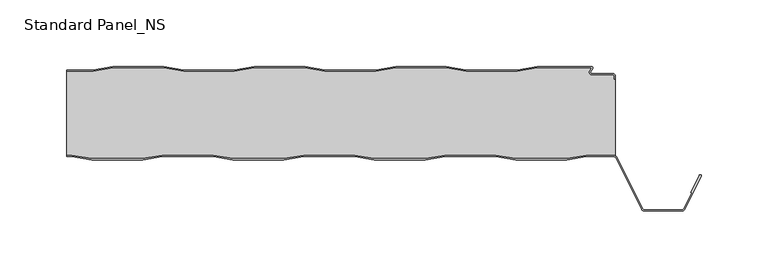
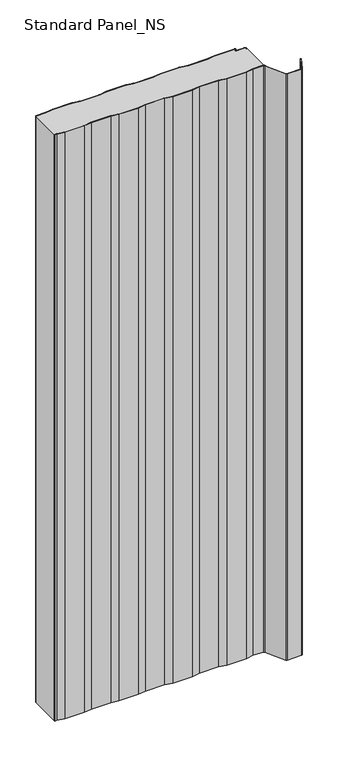
"""IFC4 building model written with IfcOpenShell, lengths in millimetres: proxy geometry, Standard Panel_NS."""

import ifcopenshell
import ifcopenshell.guid

model = None  # the IFC model being written
_history = None  # IfcOwnerHistory: only IFC2X3 demands one
_inside = {}  # id of a spatial element -> (the spatial element, [elements in it])
_under = {}  # id of a project, library or spatial element -> (it, [spatial elements below it])
_declared = {}  # id of a project -> (the project, [libraries it declares])
_typed = {}  # id of a type object -> (the type object, [elements of that type])
_made_of = {}  # id of a material, layer set ... -> (it, [elements and type objects made of it])


def new_model(schema):
    """Start an empty IFC model of exactly this schema.

    Asked for "IFC4X3", IfcOpenShell would pick the latest addendum, in which some entities
    have other attributes; the version numbers below select the first issue.
    IFC2X3 requires an IfcOwnerHistory on every rooted entity: one is made here for all.
    """
    global model, _history
    if schema == "IFC4X3":
        model = ifcopenshell.file(schema_version=(4, 3, 0, 0))
    else:
        model = ifcopenshell.file(schema=schema)
    _inside.clear()
    _under.clear()
    _declared.clear()
    _typed.clear()
    _made_of.clear()
    _history = None
    if model.schema == "IFC2X3":
        org = make("IfcOrganization", Name="unknown")
        user = make(
            "IfcPersonAndOrganization",
            ThePerson=make("IfcPerson", FamilyName="unknown"),
            TheOrganization=org,
        )
        app = make(
            "IfcApplication",
            ApplicationDeveloper=org,
            Version="unknown",
            ApplicationFullName="unknown",
            ApplicationIdentifier="unknown",
        )
        _history = make(
            "IfcOwnerHistory",
            OwningUser=user,
            OwningApplication=app,
            ChangeAction="ADDED",
            CreationDate=0,
        )
    return model


def make(cls, **values):
    """One entity of the class cls with the attributes given. An attribute that is None is left unset."""
    return model.create_entity(
        cls, **{name: value for name, value in values.items() if value is not None}
    )


def rooted(cls, **values):
    """An entity with a GlobalId (a new one), such as an element, a storey or a relation."""
    return make(cls, GlobalId=ifcopenshell.guid.new(), OwnerHistory=_history, **values)


def si_unit(unit_type, name, prefix=None):
    """IfcSIUnit, for example si_unit("LENGTHUNIT", "METRE", prefix="MILLI")."""
    return make("IfcSIUnit", UnitType=unit_type, Prefix=prefix, Name=name)


def assignment(units):
    """IfcUnitAssignment: the units of a project."""
    return None if units is None else make("IfcUnitAssignment", Units=units)


def point(xyz):
    """IfcCartesianPoint."""
    return None if xyz is None else make("IfcCartesianPoint", Coordinates=xyz)


def direction(xyz):
    """IfcDirection."""
    return None if xyz is None else make("IfcDirection", DirectionRatios=xyz)


def frame(location, z_axis=None, x_axis=None):
    """IfcAxis2Placement3D, a coordinate frame: its origin and axes. An axis left out is left unset."""
    return make(
        "IfcAxis2Placement3D",
        Location=point(location),
        Axis=direction(z_axis),
        RefDirection=direction(x_axis),
    )


def frame_2d(location, x_axis=None):
    """IfcAxis2Placement2D, a coordinate frame in the plane: its origin and x axis."""
    return make(
        "IfcAxis2Placement2D", Location=point(location), RefDirection=direction(x_axis)
    )


def origin():
    """The frame at (0, 0, 0) with its axes left unset."""
    return frame((0.0, 0.0, 0.0))


def origin_with_axes():
    """The frame at (0, 0, 0) with the z axis (0, 0, 1) and the x axis (1, 0, 0) written out."""
    return frame((0.0, 0.0, 0.0), z_axis=(0.0, 0.0, 1.0), x_axis=(1.0, 0.0, 0.0))


def place(relative_to, where):
    """IfcLocalPlacement: puts the frame where relative to a parent placement (None: the world)."""
    return make(
        "IfcLocalPlacement", PlacementRelTo=relative_to, RelativePlacement=where
    )


def context(
    kind, dimensions, precision=None, world=None, true_north=None, identifier=None
):
    """IfcGeometricRepresentationContext, for example the 3D "Model" context."""
    return make(
        "IfcGeometricRepresentationContext",
        ContextIdentifier=identifier,
        ContextType=kind,
        CoordinateSpaceDimension=dimensions,
        Precision=precision,
        WorldCoordinateSystem=world,
        TrueNorth=true_north,
    )


def project(units=None, contexts=None):
    """IfcProject with its units and contexts."""
    return rooted(
        "IfcProject",
        Name="project",
        RepresentationContexts=contexts,
        UnitsInContext=assignment(units),
    )


def spatial(cls, under=None, at=None, **own):
    """A site, building, storey or space (cls), placed at a placement, below another one or the project."""
    s = rooted(cls, ObjectPlacement=at, **own)
    if under is not None:
        _under.setdefault(under.id(), (under, []))[1].append(s)
    return s


def polyline(points):
    """IfcPolyline through the points."""
    return make("IfcPolyline", Points=[point(p) for p in points])


def circle_curve(where, radius):
    """IfcCircle in the frame where."""
    return make("IfcCircle", Position=where, Radius=radius)


def trimmed(basis, trim1, trim2, sense, master):
    """IfcTrimmedCurve: the piece of a basis curve between two trims."""
    return make(
        "IfcTrimmedCurve",
        BasisCurve=basis,
        Trim1=trim1,
        Trim2=trim2,
        SenseAgreement=sense,
        MasterRepresentation=master,
    )


def segment(curve, same_sense, transition):
    """IfcCompositeCurveSegment."""
    return make(
        "IfcCompositeCurveSegment",
        Transition=transition,
        SameSense=same_sense,
        ParentCurve=curve,
    )


def composite_curve(segments, self_intersect=None):
    """IfcCompositeCurve: segments joined end to end."""
    return make("IfcCompositeCurve", Segments=segments, SelfIntersect=self_intersect)


def outline(outer, holes=None, kind="AREA"):
    """IfcArbitraryClosedProfileDef: a profile drawn as a closed curve; with holes, ...WithVoids."""
    if holes is None:
        return make("IfcArbitraryClosedProfileDef", ProfileType=kind, OuterCurve=outer)
    return make(
        "IfcArbitraryProfileDefWithVoids",
        ProfileType=kind,
        OuterCurve=outer,
        InnerCurves=holes,
    )


def extrude(swept, where, along, depth):
    """IfcExtrudedAreaSolid: the profile swept, set in the frame where, extruded along a direction by depth."""
    return make(
        "IfcExtrudedAreaSolid",
        SweptArea=swept,
        Position=where,
        ExtrudedDirection=direction(along),
        Depth=depth,
    )


def shape(context_of_items, identifier, shape_type, items):
    """IfcShapeRepresentation: the items that make up one representation, for example the "Body"."""
    return make(
        "IfcShapeRepresentation",
        ContextOfItems=context_of_items,
        RepresentationIdentifier=identifier,
        RepresentationType=shape_type,
        Items=items,
    )


def source(mapping_origin, context_of_items, identifier, shape_type, items):
    """IfcRepresentationMap: a shape defined once, which mapped items show again and again."""
    return make(
        "IfcRepresentationMap",
        MappingOrigin=mapping_origin,
        MappedRepresentation=shape(context_of_items, identifier, shape_type, items),
    )


def transform(
    local_origin,
    x_axis=None,
    y_axis=None,
    z_axis=None,
    scale=None,
    scale2=None,
    scale3=None,
    uniform=True,
):
    """IfcCartesianTransformationOperator3D, or its non-uniform kind. x_axis, y_axis, z_axis: its Axis1, 2, 3."""
    if uniform:
        return make(
            "IfcCartesianTransformationOperator3D",
            Axis1=direction(x_axis),
            Axis2=direction(y_axis),
            LocalOrigin=point(local_origin),
            Scale=scale,
            Axis3=direction(z_axis),
        )
    return make(
        "IfcCartesianTransformationOperator3DnonUniform",
        Axis1=direction(x_axis),
        Axis2=direction(y_axis),
        LocalOrigin=point(local_origin),
        Scale=scale,
        Axis3=direction(z_axis),
        Scale2=scale2,
        Scale3=scale3,
    )


def mapped(mapping_source, mapping_target):
    """IfcMappedItem: shows the shape of a source again, moved by a transform."""
    return make(
        "IfcMappedItem", MappingSource=mapping_source, MappingTarget=mapping_target
    )


def made_of(thing, what):
    """Note that an element or type object is made of a material, layer set ...; save() writes the relation."""
    if what is not None:
        _made_of.setdefault(what.id(), (what, []))[1].append(thing)
    return thing


def element(
    cls,
    number,
    at=None,
    inside=None,
    cuts=None,
    type_object=None,
    material=None,
    context=None,
    identifier="Body",
    shape_type=None,
    held_by="IfcProductDefinitionShape",
    body=None,
    shapes=None,
    **own,
):
    """One element of the class cls, such as IfcWall. Its Tag is "e" and its number.

    at: its placement. inside: the storey or other place that contains it. cuts: it is an
    opening in that element (IfcRelVoidsElement). A single representation is given by context,
    identifier, shape_type and body (its items); several are given by shapes. held_by: the class
    of the entity that holds the representations. save() writes the other relations.
    """
    e = rooted(cls, Tag="e%d" % number, ObjectPlacement=at, **own)
    if body is not None:
        shapes = [shape(context, identifier, shape_type, body)]
    if shapes is not None:
        e.Representation = make(held_by, Representations=shapes)
    if inside is not None:
        _inside.setdefault(inside.id(), (inside, []))[1].append(e)
    if cuts is not None:
        rooted(
            "IfcRelVoidsElement", RelatingBuildingElement=cuts, RelatedOpeningElement=e
        )
    if type_object is not None:
        _typed.setdefault(type_object.id(), (type_object, []))[1].append(e)
    return made_of(e, material)


def aggregate(whole, parts):
    """IfcRelAggregates: a whole, such as a stair, and the parts it consists of."""
    return rooted("IfcRelAggregates", RelatingObject=whole, RelatedObjects=parts)


def save(model, path):
    """Write the relations noted so far, then the file.

    IfcRelAggregates (storeys below a building ...), IfcRelContainedInSpatialStructure (elements
    in a storey), IfcRelDefinesByType, IfcRelAssociatesMaterial and IfcRelDeclares: one each for
    every whole, place, type object, material and project.
    """
    for whole, parts in _under.values():
        aggregate(whole, parts)
    for where, things in _inside.values():
        rooted(
            "IfcRelContainedInSpatialStructure",
            RelatedElements=things,
            RelatingStructure=where,
        )
    for kind, things in _typed.values():
        rooted("IfcRelDefinesByType", RelatedObjects=things, RelatingType=kind)
    for what, things in _made_of.values():
        rooted("IfcRelAssociatesMaterial", RelatedObjects=things, RelatingMaterial=what)
    for by, libraries in _declared.values():
        rooted("IfcRelDeclares", RelatingContext=by, RelatedDefinitions=libraries)
    model.write(path)


def plane_surface(at):
    """IfcPlane: the flat surface through the origin of the frame at, square to its z axis."""
    return make("IfcPlane", Position=at)


def cylinder_surface(at, radius):
    """IfcCylindricalSurface: all points at the distance radius from the z axis of the frame at."""
    return make("IfcCylindricalSurface", Position=at, Radius=radius)


def revolved_surface(curve, axis_point, axis_direction):
    """IfcSurfaceOfRevolution: the curve turned about the line through axis_point along axis_direction."""
    return make(
        "IfcSurfaceOfRevolution",
        SweptCurve=make("IfcArbitraryOpenProfileDef", ProfileType="CURVE", Curve=curve),
        AxisPosition=make("IfcAxis1Placement", Location=point(axis_point), Axis=direction(axis_direction)),
    )


def advanced_brep(points, edges, surfaces, faces):
    """IfcAdvancedBrep: a solid bounded by faces that lie on surfaces and meet in shared edges.

    An edge is (start, end): straight between two places in points (the first is 0);
    or (start, end, curve); or (start, end, curve, False) where it runs against its curve.
    A face is (place in surfaces, loops), or (place, loops, False) where it looks against
    its surface's normal. A loop lists edges by number (the first is 1), with a minus sign
    where the edge is run from its end to its start. The first loop is the outer one.
    """
    corners = [point(p) for p in points]
    vertices = [make("IfcVertexPoint", VertexGeometry=c) for c in corners]
    made = []
    for start, end, *more in edges:
        made.append(
            make(
                "IfcEdgeCurve",
                EdgeStart=vertices[start],
                EdgeEnd=vertices[end],
                EdgeGeometry=more[0] if more else make("IfcPolyline", Points=[corners[start], corners[end]]),
                SameSense=more[1] if len(more) > 1 else True,
            )
        )
    hull = []
    for where, loops, *sense in faces:
        bounds = []
        for j, loop in enumerate(loops):
            ring = [make("IfcOrientedEdge", EdgeElement=made[abs(k) - 1], Orientation=k > 0) for k in loop]
            bounds.append(
                make(
                    "IfcFaceOuterBound" if j == 0 else "IfcFaceBound",
                    Bound=make("IfcEdgeLoop", EdgeList=ring),
                    Orientation=True,
                )
            )
        hull.append(make("IfcAdvancedFace", Bounds=bounds, FaceSurface=surfaces[where], SameSense=sense[0] if sense else True))
    return make("IfcAdvancedBrep", Outer=make("IfcClosedShell", CfsFaces=hull))


def standard_panel_ns_f7e936ef(model_context):
    return source(origin(), model_context, "Body", "SolidModel", [
        extrude(outline(composite_curve([segment(polyline([(-203.6028864, -3.3), (-223.4042607, -3.3), (-223.4042607, -2.5), (-203.6690964, -2.5), (-188.6690964, 0.0), (-150.6690964, 0.0), (-135.6690964, -2.5), (-97.6690964, -2.5), (-82.6690964, 0.0), (-44.6690964, 0.0), (-29.6690964, -2.5), (8.3309036, -2.5), (23.3309036, 0.0), (61.3309036, 0.0), (76.3309036, -2.5), (114.3309036, -2.5), (129.3309036, 0.0), (170.1370388, 0.0)]), True, "CONTINUOUS"), segment(trimmed(circle_curve(frame_2d((170.1370388, -1.0)), 1.0), [point((170.1370388, 0.0))], [point((170.9759217, -1.5443119))], False, "CARTESIAN"), True, "CONTINUOUS"), segment(polyline([(170.9759217, -1.5443119), (169.5409513, -3.7558601)]), True, "CONTINUOUS"), segment(trimmed(circle_curve(frame_2d((170.3798342, -4.3001721)), 1.0), [point((169.5409513, -3.7558601))], [point((170.3798342, -5.3001721))], True, "CARTESIAN"), True, "CONTINUOUS"), segment(polyline([(170.3798342, -5.3001721), (185.9659043, -5.3001721)]), True, "CONTINUOUS"), segment(trimmed(circle_curve(frame_2d((185.9659043, -7.4001714)), 2.0999993), [point((185.9659043, -5.3001721))], [point((188.0659036, -7.4001714))], False, "CARTESIAN"), True, "CONTINUOUS"), segment(polyline([(188.0659036, -7.4001714), (188.0659036, -9.4001722), (187.2659036, -9.4001722), (187.2659036, -7.4001714)]), True, "CONTINUOUS"), segment(trimmed(circle_curve(frame_2d((185.9659043, -7.4001714)), 1.2999993), [point((187.2659036, -7.4001714))], [point((185.9659043, -6.1001721))], True, "CARTESIAN"), True, "CONTINUOUS"), segment(polyline([(185.9659043, -6.1001721), (170.3798342, -6.1001721)]), True, "CONTINUOUS"), segment(trimmed(circle_curve(frame_2d((170.3798342, -4.3001721)), 1.8), [point((170.3798342, -6.1001721))], [point((168.869845, -3.3204106))], False, "CARTESIAN"), True, "CONTINUOUS"), segment(polyline([(168.869845, -3.3204106), (170.5052217, -0.8), (129.3971136, -0.8), (114.3971136, -3.3), (76.2646936, -3.3), (61.2646936, -0.8), (23.3971136, -0.8), (8.3971136, -3.3), (-29.7353064, -3.3), (-44.7353064, -0.8), (-82.6028864, -0.8), (-97.6028864, -3.3), (-135.7353064, -3.3), (-150.7353064, -0.8), (-188.6028864, -0.8), (-203.6028864, -3.3)]), True, "CONTINUOUS")], self_intersect=False)), origin_with_axes(), (0.0, 0.0, 1.0), 1219.2),
        extrude(outline(composite_curve([segment(polyline([(-219.5261524, -67.5), (-223.4042607, -67.5), (-223.4042607, -66.7), (-219.4592357, -66.7), (-204.6198427, -69.2), (-166.5446313, -69.2), (-151.7052383, -66.7), (-113.4592357, -66.7), (-98.6198427, -69.2), (-60.5446313, -69.2), (-45.7052383, -66.7), (-7.4592357, -66.7), (7.3801573, -69.2), (45.4553687, -69.2), (60.2947617, -66.7), (98.5407643, -66.7), (113.3801573, -69.2), (151.4553687, -69.2), (166.2947617, -66.7), (186.5082999, -66.7)]), True, "CONTINUOUS"), segment(trimmed(circle_curve(frame_2d((186.5082999, -69.8)), 3.1), [point((186.5082999, -66.7))], [point((189.28232, -68.4162325))], False, "CARTESIAN"), True, "CONTINUOUS"), segment(polyline([(189.28232, -68.4162325), (208.4846117, -106.910808)]), True, "CONTINUOUS"), segment(trimmed(circle_curve(frame_2d((209.8268795, -106.241243)), 1.5), [point((208.4846117, -106.910808))], [point((209.8268795, -107.741243))], True, "CARTESIAN"), True, "CONTINUOUS"), segment(polyline([(209.8268795, -107.741243), (237.9816419, -107.741243)]), True, "CONTINUOUS"), segment(trimmed(circle_curve(frame_2d((237.9816419, -106.241243)), 1.5), [point((237.9816419, -107.741243))], [point((239.3236176, -106.9113932))], True, "CARTESIAN"), True, "CONTINUOUS"), segment(polyline([(239.3236176, -106.9113932), (245.3896952, -94.7640727), (244.6739749, -94.4066593), (251.018063, -81.7026227)]), True, "CONTINUOUS"), segment(trimmed(circle_curve(frame_2d((251.7337834, -82.0600361)), 0.8), [point((251.018063, -81.7026227))], [point((252.4495038, -82.4174495))], False, "CARTESIAN"), True, "CONTINUOUS"), segment(polyline([(252.4495038, -82.4174495), (240.039338, -107.2688066)]), True, "CONTINUOUS"), segment(trimmed(circle_curve(frame_2d((237.9816419, -106.241243)), 2.3), [point((240.039338, -107.2688066))], [point((237.9816419, -108.541243))], False, "CARTESIAN"), True, "CONTINUOUS"), segment(polyline([(237.9816419, -108.541243), (209.8268795, -108.541243)]), True, "CONTINUOUS"), segment(trimmed(circle_curve(frame_2d((209.8268795, -106.241243)), 2.3), [point((209.8268795, -108.541243))], [point((207.7687355, -107.2679093))], False, "CARTESIAN"), True, "CONTINUOUS"), segment(polyline([(207.7687355, -107.2679093), (188.5664438, -68.7733338)]), True, "CONTINUOUS"), segment(trimmed(circle_curve(frame_2d((186.5082999, -69.8)), 2.3), [point((188.5664438, -68.7733338))], [point((186.5082999, -67.5))], True, "CARTESIAN"), True, "CONTINUOUS"), segment(polyline([(186.5082999, -67.5), (166.3616785, -67.5), (151.5222854, -70.0), (113.3132406, -70.0), (98.4738476, -67.5), (60.3616785, -67.5), (45.5222854, -70.0), (7.3132406, -70.0), (-7.5261524, -67.5), (-45.6383215, -67.5), (-60.4777146, -70.0), (-98.6867594, -70.0), (-113.5261524, -67.5), (-151.6383215, -67.5), (-166.4777146, -70.0), (-204.6867594, -70.0), (-219.5261524, -67.5)]), True, "CONTINUOUS")], self_intersect=False)), origin_with_axes(), (0.0, 0.0, 1.0), 1219.2),
        advanced_brep(
        [(188.136916, -67.1622719, 1219.2), (188.1042607, -9.4, 1219.2), (187.2659036, -9.4, 1219.2), (187.2659036, -7.4001714, 1219.2), (185.9659043, -6.1001721, 1219.2), (170.3798342, -6.1001721, 1219.2), (168.869845, -3.3204106, 1219.2), (170.5052217, -0.8, 1219.2), (129.3971136, -0.8, 1219.2), (114.3971136, -3.3, 1219.2), (76.2646936, -3.3, 1219.2), (61.2646936, -0.8, 1219.2), (23.3971136, -0.8, 1219.2), (8.3971136, -3.3, 1219.2), (-29.7353064, -3.3, 1219.2), (-44.7353064, -0.8, 1219.2), (-82.6028864, -0.8, 1219.2), (-97.6028864, -3.3, 1219.2), (-135.7353064, -3.3, 1219.2), (-150.7353064, -0.8, 1219.2), (-188.6028864, -0.8, 1219.2), (-203.6028864, -3.3, 1219.2), (-223.4042607, -3.3, 1219.2), (-223.4042607, -66.7, 1219.2), (-219.4592357, -66.7, 1219.2), (-204.6198427, -69.2, 1219.2), (-166.5446313, -69.2, 1219.2), (-151.7052383, -66.7, 1219.2), (-113.4592357, -66.7, 1219.2), (-98.6198427, -69.2, 1219.2), (-60.5446313, -69.2, 1219.2), (-45.7052383, -66.7, 1219.2), (-7.4592357, -66.7, 1219.2), (7.3801573, -69.2, 1219.2), (45.4553687, -69.2, 1219.2), (60.2947617, -66.7, 1219.2), (98.5407643, -66.7, 1219.2), (113.3801573, -69.2, 1219.2), (151.4553687, -69.2, 1219.2), (166.2947617, -66.7, 1219.2), (186.5082999, -66.7, 1219.2), (-219.4592357, -66.7, 0.0), (-223.4042607, -66.7, 0.0), (-223.4042607, -3.3, 0.0), (-203.6028864, -3.3, 0.0), (-188.6028864, -0.8, 0.0), (-150.7353064, -0.8, 0.0), (-135.7353064, -3.3, 0.0), (-97.6028864, -3.3, 0.0), (-82.6028864, -0.8, 0.0), (-44.7353064, -0.8, 0.0), (-29.7353064, -3.3, 0.0), (8.3971136, -3.3, 0.0), (23.3971136, -0.8, 0.0), (61.2646936, -0.8, 0.0), (76.2646936, -3.3, 0.0), (114.3971136, -3.3, 0.0), (129.3971136, -0.8, 0.0), (170.5052217, -0.8, 0.0), (168.869845, -3.3204106, 0.0), (170.3798342, -6.1001721, 0.0), (185.9659043, -6.1001721, 0.0), (187.2659036, -7.4001714, 0.0), (187.2659036, -9.4001722, 0.0), (188.1042607, -9.4, 0.0), (188.136916, -67.1622719, 0.0), (186.5082999, -66.7, 0.0), (166.2947617, -66.7, 0.0), (151.4553687, -69.2, 0.0), (113.3801573, -69.2, 0.0), (98.5407643, -66.7, 0.0), (60.2947617, -66.7, 0.0), (45.4553687, -69.2, 0.0), (7.3801573, -69.2, 0.0), (-7.4592357, -66.7, 0.0), (-45.7052383, -66.7, 0.0), (-60.5446313, -69.2, 0.0), (-98.6198427, -69.2, 0.0), (-113.4592357, -66.7, 0.0), (-151.7052383, -66.7, 0.0), (-166.5446313, -69.2, 0.0), (-204.6198427, -69.2, 0.0)],
        [
            (0, 1),
            (1, 2),
            (2, 3),
            (3, 4, circle_curve(frame((185.9659043, -7.4001714, 1219.2), z_axis=(0.0, 0.0, 1.0), x_axis=(-1.0, 0.0, 0.0)), 1.2999993)),
            (4, 5),
            (5, 6, circle_curve(frame((170.3798342, -4.3001721, 1219.2), z_axis=(0.0, 0.0, -1.0), x_axis=(-1.0, 0.0, 0.0)), 1.8)),
            (6, 7),
            (7, 8),
            (8, 9),
            (9, 10),
            (10, 11),
            (11, 12),
            (12, 13),
            (13, 14),
            (14, 15),
            (15, 16),
            (16, 17),
            (17, 18),
            (18, 19),
            (19, 20),
            (20, 21),
            (21, 22),
            (22, 23),
            (23, 24),
            (24, 25),
            (25, 26),
            (26, 27),
            (27, 28),
            (28, 29),
            (29, 30),
            (30, 31),
            (31, 32),
            (32, 33),
            (33, 34),
            (34, 35),
            (35, 36),
            (36, 37),
            (37, 38),
            (38, 39),
            (39, 40),
            (40, 0, circle_curve(frame((186.5082999, -69.8, 1219.2), z_axis=(0.0, 0.0, -1.0), x_axis=(-1.0, 0.0, 0.0)), 3.1)),
            (41, 42),
            (42, 43),
            (43, 44),
            (44, 45),
            (45, 46),
            (46, 47),
            (47, 48),
            (48, 49),
            (49, 50),
            (50, 51),
            (51, 52),
            (52, 53),
            (53, 54),
            (54, 55),
            (55, 56),
            (56, 57),
            (57, 58),
            (58, 59),
            (59, 60, circle_curve(frame((170.3798342, -4.3001721, 0.0), z_axis=(0.0, 0.0, 1.0), x_axis=(-1.0, 0.0, 0.0)), 1.8)),
            (60, 61),
            (61, 62, circle_curve(frame((185.9659043, -7.4001714, 0.0), z_axis=(0.0, 0.0, -1.0), x_axis=(-1.0, 0.0, 0.0)), 1.2999993)),
            (62, 63),
            (63, 64),
            (64, 65),
            (65, 66, circle_curve(frame((186.5082999, -69.8, 0.0), z_axis=(0.0, 0.0, 1.0), x_axis=(-1.0, 0.0, 0.0)), 3.1)),
            (66, 67),
            (67, 68),
            (68, 69),
            (69, 70),
            (70, 71),
            (71, 72),
            (72, 73),
            (73, 74),
            (74, 75),
            (75, 76),
            (76, 77),
            (77, 78),
            (78, 79),
            (79, 80),
            (80, 81),
            (81, 41),
            (64, 1),
            (0, 65),
            (40, 66),
            (39, 67),
            (38, 68),
            (37, 69),
            (36, 70),
            (35, 71),
            (34, 72),
            (33, 73),
            (32, 74),
            (31, 75),
            (30, 76),
            (29, 77),
            (28, 78),
            (27, 79),
            (26, 80),
            (25, 81),
            (24, 41),
            (23, 42),
            (63, 2),
            (43, 22),
            (21, 44),
            (20, 45),
            (19, 46),
            (18, 47),
            (17, 48),
            (16, 49),
            (15, 50),
            (14, 51),
            (13, 52),
            (12, 53),
            (11, 54),
            (10, 55),
            (9, 56),
            (8, 57),
            (7, 58),
            (6, 59),
            (5, 60),
            (4, 61),
            (3, 62),
        ],
        [
            plane_surface(frame((-276.0957393, -69.2, 1219.2), z_axis=(0.0, 0.0, 1.0), x_axis=(0.0, -1.0, 0.0))),
            plane_surface(frame((-276.0957393, -69.2, 0.0), z_axis=(0.0, 0.0, -1.0), x_axis=(0.0, -1.0, 0.0))),
            plane_surface(frame((188.136916, -64.25, 1219.2), z_axis=(1.0, 0.0, 0.0), x_axis=(0.0, 0.0, -1.0))),
            revolved_surface(polyline([(183.4082999, -69.8, 0.0), (183.4082999, -69.8, 1219.2)]), (186.5082999, -69.8, 1219.2), (0.0, 0.0, -1.0)),
            plane_surface(frame((186.5082999, -66.7, 1219.2), z_axis=(0.0, -1.0, 0.0), x_axis=(0.0, 0.0, -1.0))),
            plane_surface(frame((166.2947617, -66.7, 1219.2), z_axis=(0.16612942863435848, -0.9861039564577467, 0.0), x_axis=(0.0, 0.0, -1.0))),
            plane_surface(frame((151.4553687, -69.2, 1219.2), z_axis=(0.0, -1.0, 0.0), x_axis=(0.0, 0.0, -1.0))),
            plane_surface(frame((113.3801573, -69.2, 1219.2), z_axis=(-0.16612942863454067, -0.9861039564577161, 0.0), x_axis=(0.0, 0.0, -1.0))),
            plane_surface(frame((98.5407643, -66.7, 1219.2), z_axis=(0.0, -1.0, 0.0), x_axis=(0.0, 0.0, -1.0))),
            plane_surface(frame((60.2947617, -66.7, 1219.2), z_axis=(0.1661294286345235, -0.986103956457719, 0.0), x_axis=(0.0, 0.0, -1.0))),
            plane_surface(frame((45.4553687, -69.2, 1219.2), z_axis=(0.0, -1.0, 0.0), x_axis=(0.0, 0.0, -1.0))),
            plane_surface(frame((7.3801573, -69.2, 1219.2), z_axis=(-0.16612942863454067, -0.9861039564577161, 0.0), x_axis=(0.0, 0.0, -1.0))),
            plane_surface(frame((-7.4592357, -66.7, 1219.2), z_axis=(0.0, -1.0, 0.0), x_axis=(0.0, 0.0, -1.0))),
            plane_surface(frame((-45.7052383, -66.7, 1219.2), z_axis=(0.16612942863435848, -0.9861039564577467, 0.0), x_axis=(0.0, 0.0, -1.0))),
            plane_surface(frame((-60.5446313, -69.2, 1219.2), z_axis=(0.0, -1.0, 0.0), x_axis=(0.0, 0.0, -1.0))),
            plane_surface(frame((-98.6198427, -69.2, 1219.2), z_axis=(-0.16612942863472926, -0.9861039564576843, 0.0), x_axis=(0.0, 0.0, -1.0))),
            plane_surface(frame((-113.4592357, -66.7, 1219.2), z_axis=(0.0, -1.0, 0.0), x_axis=(0.0, 0.0, -1.0))),
            plane_surface(frame((-151.7052383, -66.7, 1219.2), z_axis=(0.1661294286345235, -0.986103956457719, 0.0), x_axis=(0.0, 0.0, -1.0))),
            plane_surface(frame((-166.5446313, -69.2, 1219.2), z_axis=(0.0, -1.0, 0.0), x_axis=(0.0, 0.0, -1.0))),
            plane_surface(frame((-204.6198427, -69.2, 1219.2), z_axis=(-0.16612942863435204, -0.9861039564577478, 0.0), x_axis=(0.0, 0.0, -1.0))),
            plane_surface(frame((-219.4592357, -66.7, 1219.2), z_axis=(0.0, -1.0, 0.0), x_axis=(0.0, 0.0, -1.0))),
            plane_surface(frame((-811.8956486, -9.4, 1219.2), z_axis=(0.0, 1.0, 0.0), x_axis=(0.0, 0.0, -1.0))),
            plane_surface(frame((-241.7353064, -3.3, 1219.2), z_axis=(0.0, 1.0, 0.0), x_axis=(0.0, 0.0, -1.0))),
            plane_surface(frame((-203.6028864, -3.3, 1219.2), z_axis=(-0.1643989873053467, 0.9863939238321456, 0.0), x_axis=(0.0, 0.0, -1.0))),
            plane_surface(frame((-188.6028864, -0.8, 1219.2), z_axis=(0.0, 1.0, 0.0), x_axis=(0.0, 0.0, -1.0))),
            plane_surface(frame((-150.7353064, -0.8, 1219.2), z_axis=(0.1643989873053679, 0.9863939238321421, 0.0), x_axis=(0.0, 0.0, -1.0))),
            plane_surface(frame((-135.7353064, -3.3, 1219.2), z_axis=(0.0, 1.0, 0.0), x_axis=(0.0, 0.0, -1.0))),
            plane_surface(frame((-97.6028864, -3.3, 1219.2), z_axis=(-0.1643989873053467, 0.9863939238321456, 0.0), x_axis=(0.0, 0.0, -1.0))),
            plane_surface(frame((-82.6028864, -0.8, 1219.2), z_axis=(0.0, 1.0, 0.0), x_axis=(0.0, 0.0, -1.0))),
            plane_surface(frame((-44.7353064, -0.8, 1219.2), z_axis=(0.16439898730518315, 0.9863939238321728, 0.0), x_axis=(0.0, 0.0, -1.0))),
            plane_surface(frame((-29.7353064, -3.3, 1219.2), z_axis=(0.0, 1.0, 0.0), x_axis=(0.0, 0.0, -1.0))),
            plane_surface(frame((8.3971136, -3.3, 1219.2), z_axis=(-0.1643989873053467, 0.9863939238321456, 0.0), x_axis=(0.0, 0.0, -1.0))),
            plane_surface(frame((23.3971136, -0.8, 1219.2), z_axis=(0.0, 1.0, 0.0), x_axis=(0.0, 0.0, -1.0))),
            plane_surface(frame((61.2646936, -0.8, 1219.2), z_axis=(0.1643989873053679, 0.9863939238321421, 0.0), x_axis=(0.0, 0.0, -1.0))),
            plane_surface(frame((76.2646936, -3.3, 1219.2), z_axis=(0.0, 1.0, 0.0), x_axis=(0.0, 0.0, -1.0))),
            plane_surface(frame((114.3971136, -3.3, 1219.2), z_axis=(-0.16439898730516195, 0.9863939238321764, 0.0), x_axis=(0.0, 0.0, -1.0))),
            plane_surface(frame((129.3971136, -0.8, 1219.2), z_axis=(0.0, 1.0, 0.0), x_axis=(0.0, 0.0, -1.0))),
            plane_surface(frame((170.5052217, -0.8, 1219.2), z_axis=(0.8388828900539764, -0.5443119480359477, 0.0), x_axis=(0.0, 0.0, -1.0))),
            revolved_surface(polyline([(168.5798342, -4.3001721, 0.0), (168.5798342, -4.3001721, 1219.2)]), (170.3798342, -4.3001721, 1219.2), (0.0, 0.0, -1.0)),
            plane_surface(frame((170.3798342, -6.1001721, 1219.2), z_axis=(0.0, 1.0, 0.0), x_axis=(0.0, 0.0, -1.0))),
            cylinder_surface(frame((185.9659043, -7.4001714, 1219.2), z_axis=(0.0, 0.0, 1.0), x_axis=(-1.0, 0.0, 0.0)), 1.2999993),
            plane_surface(frame((187.2659036, -7.4001714, 1219.2), z_axis=(1.0, 0.0, 0.0), x_axis=(0.0, 0.0, -1.0))),
            plane_surface(frame((-223.4042607, 30.0, 1219.2), z_axis=(-1.0, 0.0, 0.0), x_axis=(0.0, 0.0, -1.0))),
        ],
        [
            (0, [[1, 2, 3, 4, 5, 6, 7, 8, 9, 10, 11, 12, 13, 14, 15, 16, 17, 18, 19, 20, 21, 22, 23, 24, 25, 26, 27, 28, 29, 30, 31, 32, 33, 34, 35, 36, 37, 38, 39, 40, 41]]),
            (1, [[42, 43, 44, 45, 46, 47, 48, 49, 50, 51, 52, 53, 54, 55, 56, 57, 58, 59, 60, 61, 62, 63, 64, 65, 66, 67, 68, 69, 70, 71, 72, 73, 74, 75, 76, 77, 78, 79, 80, 81, 82]]),
            (2, [[-65, 83, -1, 84]]),
            (3, [[85, -66, -84, -41]]),
            (4, [[86, -67, -85, -40]]),
            (5, [[87, -68, -86, -39]]),
            (6, [[88, -69, -87, -38]]),
            (7, [[89, -70, -88, -37]]),
            (8, [[90, -71, -89, -36]]),
            (9, [[91, -72, -90, -35]]),
            (10, [[92, -73, -91, -34]]),
            (11, [[93, -74, -92, -33]]),
            (12, [[94, -75, -93, -32]]),
            (13, [[95, -76, -94, -31]]),
            (14, [[96, -77, -95, -30]]),
            (15, [[97, -78, -96, -29]]),
            (16, [[98, -79, -97, -28]]),
            (17, [[99, -80, -98, -27]]),
            (18, [[100, -81, -99, -26]]),
            (19, [[101, -82, -100, -25]]),
            (20, [[-24, 102, -42, -101]]),
            (21, [[-64, 103, -2, -83]]),
            (22, [[-44, 104, -22, 105]]),
            (23, [[106, -45, -105, -21]]),
            (24, [[107, -46, -106, -20]]),
            (25, [[108, -47, -107, -19]]),
            (26, [[109, -48, -108, -18]]),
            (27, [[110, -49, -109, -17]]),
            (28, [[111, -50, -110, -16]]),
            (29, [[112, -51, -111, -15]]),
            (30, [[113, -52, -112, -14]]),
            (31, [[114, -53, -113, -13]]),
            (32, [[115, -54, -114, -12]]),
            (33, [[116, -55, -115, -11]]),
            (34, [[117, -56, -116, -10]]),
            (35, [[118, -57, -117, -9]]),
            (36, [[119, -58, -118, -8]]),
            (37, [[120, -59, -119, -7]]),
            (38, [[121, -60, -120, -6]]),
            (39, [[122, -61, -121, -5]]),
            (40, [[123, -62, -122, -4]]),
            (41, [[-103, -63, -123, -3]]),
            (42, [[-104, -43, -102, -23]]),
        ],
    ),
    ])


if __name__ == "__main__":
    model = new_model("IFC4")
    model_context = context("Model", 3, world=origin())
    ifc_project = project(units=[si_unit("LENGTHUNIT", "METRE", prefix="MILLI")], contexts=[model_context])
    site = spatial("IfcSite", under=ifc_project)
    building = spatial("IfcBuilding", under=site)
    placement = place(None, origin())
    standard_panel_ns_shape = standard_panel_ns_f7e936ef(model_context)
    element("IfcBuildingElementProxy", 1, Name="Standard Panel_NS", ObjectType="Standard Panel_NS", at=placement, inside=building, context=model_context, shape_type="MappedRepresentation", body=[
        mapped(standard_panel_ns_shape, transform((0.0, 0.0, 0.0), x_axis=(1.0, 0.0, 0.0), y_axis=(0.0, 1.0, 0.0), z_axis=(0.0, 0.0, 1.0))),
    ])
    save(model, "model.ifc")
